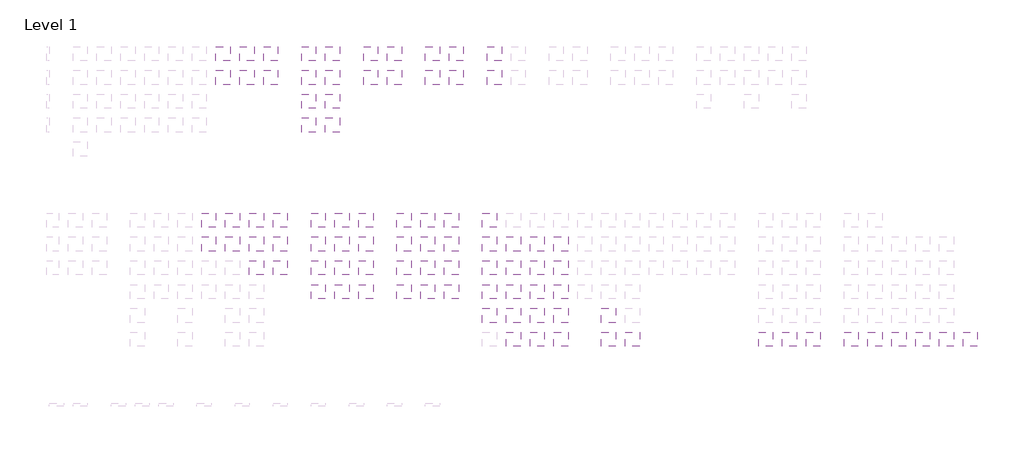
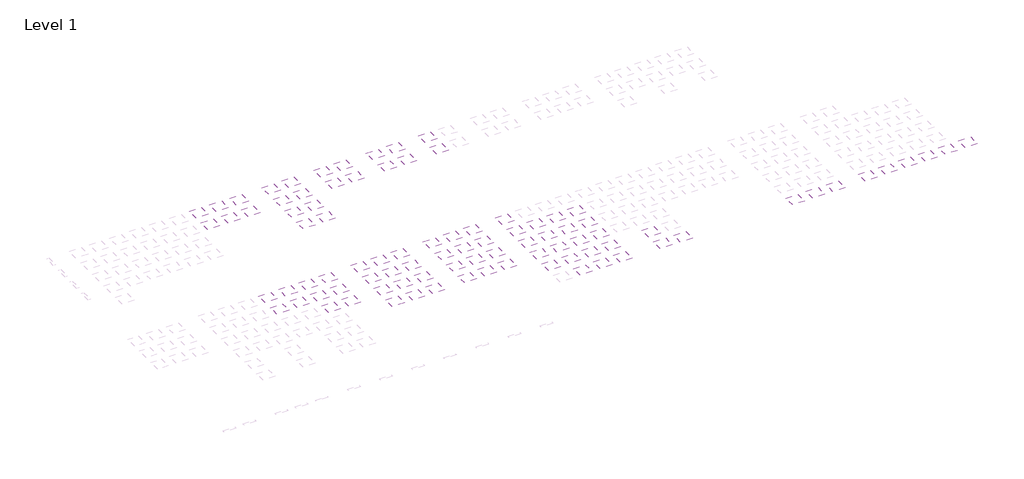
# One storey, part 4 of 90: 91 coverings.
"""IFC4 building model written with IfcOpenShell, lengths in millimetres."""

from ifc_helpers import new_model, si_unit, frame, origin, place, context, project, spatial, polyline, outline, extrude, element, save

model = new_model("IFC4")

# Units and contexts
model_context = context("Model", 3, world=origin())
ifc_project = project(units=[si_unit("LENGTHUNIT", "METRE", prefix="MILLI")], contexts=[model_context])

# Site, building, storey
site = spatial("IfcSite", under=ifc_project)
building = spatial("IfcBuilding", under=site)
storey = spatial("IfcBuildingStorey", under=building, Name="Level 1", Elevation=0.0)

# Coverings
placement = place(None, origin())
element("IfcCovering", 1, at=placement, inside=storey, context=model_context, shape_type="SweptSolid", body=[
    extrude(outline(polyline([(71921.3888175, -42496.7559295), (71921.3888175, -45496.7559295), (68921.3888175, -45496.7559295), (68921.3888175, -42496.7559295), (71921.3888175, -42496.7559295)])), frame((0.0, 0.0, 2600.0), z_axis=(0.0, 0.0, 1.0), x_axis=(1.0, 0.0, 0.0)), (0.0, 0.0, 1.0), 38.0),
])
element("IfcCovering", 2, at=placement, inside=storey, context=model_context, shape_type="SweptSolid", body=[
    extrude(outline(polyline([(71921.3888175, -47496.7559295), (71921.3888175, -50496.7559295), (68921.3888175, -50496.7559295), (68921.3888175, -47496.7559295), (71921.3888175, -47496.7559295)])), frame((0.0, 0.0, 2600.0), z_axis=(0.0, 0.0, 1.0), x_axis=(1.0, 0.0, 0.0)), (0.0, 0.0, 1.0), 38.0),
])
element("IfcCovering", 3, at=placement, inside=storey, context=model_context, shape_type="SweptSolid", body=[
    extrude(outline(polyline([(76921.3888175, -42496.7559295), (76921.3888175, -45496.7559295), (73921.3888175, -45496.7559295), (73921.3888175, -42496.7559295), (76921.3888175, -42496.7559295)])), frame((0.0, 0.0, 2600.0), z_axis=(0.0, 0.0, 1.0), x_axis=(1.0, 0.0, 0.0)), (0.0, 0.0, 1.0), 38.0),
])
element("IfcCovering", 4, at=placement, inside=storey, context=model_context, shape_type="SweptSolid", body=[
    extrude(outline(polyline([(76921.3888175, -47496.7559295), (76921.3888175, -50496.7559295), (73921.3888175, -50496.7559295), (73921.3888175, -47496.7559295), (76921.3888175, -47496.7559295)])), frame((0.0, 0.0, 2600.0), z_axis=(0.0, 0.0, 1.0), x_axis=(1.0, 0.0, 0.0)), (0.0, 0.0, 1.0), 38.0),
])
element("IfcCovering", 5, at=placement, inside=storey, context=model_context, shape_type="SweptSolid", body=[
    extrude(outline(polyline([(81921.3888175, -42496.7559295), (81921.3888175, -45496.7559295), (78921.3888175, -45496.7559295), (78921.3888175, -42496.7559295), (81921.3888175, -42496.7559295)])), frame((0.0, 0.0, 2600.0), z_axis=(0.0, 0.0, 1.0), x_axis=(1.0, 0.0, 0.0)), (0.0, 0.0, 1.0), 38.0),
])
element("IfcCovering", 6, at=placement, inside=storey, context=model_context, shape_type="SweptSolid", body=[
    extrude(outline(polyline([(81921.3888175, -47496.7559295), (81921.3888175, -50496.7559295), (78921.3888175, -50496.7559295), (78921.3888175, -47496.7559295), (81921.3888175, -47496.7559295)])), frame((0.0, 0.0, 2600.0), z_axis=(0.0, 0.0, 1.0), x_axis=(1.0, 0.0, 0.0)), (0.0, 0.0, 1.0), 38.0),
])
element("IfcCovering", 7, at=placement, inside=storey, context=model_context, shape_type="SweptSolid", body=[
    extrude(outline(polyline([(135921.3888175, -47496.7559295), (135921.3888175, -50496.7559295), (132921.3888175, -50496.7559295), (132921.3888175, -47496.7559295), (135921.3888175, -47496.7559295)])), frame((0.0, 0.0, 2600.0), z_axis=(0.0, 0.0, 1.0), x_axis=(1.0, 0.0, 0.0)), (0.0, 0.0, 1.0), 38.0),
])
element("IfcCovering", 8, at=placement, inside=storey, context=model_context, shape_type="SweptSolid", body=[
    extrude(outline(polyline([(135921.3888175, -52496.7559295), (135921.3888175, -55496.7559295), (132921.3888175, -55496.7559295), (132921.3888175, -52496.7559295), (135921.3888175, -52496.7559295)])), frame((0.0, 0.0, 2600.0), z_axis=(0.0, 0.0, 1.0), x_axis=(1.0, 0.0, 0.0)), (0.0, 0.0, 1.0), 38.0),
])
element("IfcCovering", 9, at=placement, inside=storey, context=model_context, shape_type="SweptSolid", body=[
    extrude(outline(polyline([(135921.3888175, -57496.7559295), (135921.3888175, -60496.7559295), (132921.3888175, -60496.7559295), (132921.3888175, -57496.7559295), (135921.3888175, -57496.7559295)])), frame((0.0, 0.0, 2600.0), z_axis=(0.0, 0.0, 1.0), x_axis=(1.0, 0.0, 0.0)), (0.0, 0.0, 1.0), 38.0),
])
element("IfcCovering", 10, at=placement, inside=storey, context=model_context, shape_type="SweptSolid", body=[
    extrude(outline(polyline([(135921.3888175, -62496.7559295), (135921.3888175, -65496.7559295), (132921.3888175, -65496.7559295), (132921.3888175, -62496.7559295), (135921.3888175, -62496.7559295)])), frame((0.0, 0.0, 2600.0), z_axis=(0.0, 0.0, 1.0), x_axis=(1.0, 0.0, 0.0)), (0.0, 0.0, 1.0), 38.0),
])
element("IfcCovering", 11, at=placement, inside=storey, context=model_context, shape_type="SweptSolid", body=[
    extrude(outline(polyline([(135921.3888175, -67496.7559295), (135921.3888175, -70496.7559295), (132921.3888175, -70496.7559295), (132921.3888175, -67496.7559295), (135921.3888175, -67496.7559295)])), frame((0.0, 0.0, 2600.0), z_axis=(0.0, 0.0, 1.0), x_axis=(1.0, 0.0, 0.0)), (0.0, 0.0, 1.0), 38.0),
])
element("IfcCovering", 12, at=placement, inside=storey, context=model_context, shape_type="SweptSolid", body=[
    extrude(outline(polyline([(150921.3888175, -62496.7559295), (150921.3888175, -65496.7559295), (147921.3888175, -65496.7559295), (147921.3888175, -62496.7559295), (150921.3888175, -62496.7559295)])), frame((0.0, 0.0, 2600.0), z_axis=(0.0, 0.0, 1.0), x_axis=(1.0, 0.0, 0.0)), (0.0, 0.0, 1.0), 38.0),
])
element("IfcCovering", 13, at=placement, inside=storey, context=model_context, shape_type="SweptSolid", body=[
    extrude(outline(polyline([(150921.3888175, -67496.7559295), (150921.3888175, -70496.7559295), (147921.3888175, -70496.7559295), (147921.3888175, -67496.7559295), (150921.3888175, -67496.7559295)])), frame((0.0, 0.0, 2600.0), z_axis=(0.0, 0.0, 1.0), x_axis=(1.0, 0.0, 0.0)), (0.0, 0.0, 1.0), 38.0),
])
element("IfcCovering", 14, at=placement, inside=storey, context=model_context, shape_type="SweptSolid", body=[
    extrude(outline(polyline([(155921.3888175, -67496.7559295), (155921.3888175, -70496.7559295), (152921.3888175, -70496.7559295), (152921.3888175, -67496.7559295), (155921.3888175, -67496.7559295)])), frame((0.0, 0.0, 2600.0), z_axis=(0.0, 0.0, 1.0), x_axis=(1.0, 0.0, 0.0)), (0.0, 0.0, 1.0), 38.0),
])
element("IfcCovering", 15, at=placement, inside=storey, context=model_context, shape_type="SweptSolid", body=[
    extrude(outline(polyline([(76921.3888175, -52496.7559295), (76921.3888175, -55496.7559295), (73921.3888175, -55496.7559295), (73921.3888175, -52496.7559295), (76921.3888175, -52496.7559295)])), frame((0.0, 0.0, 2600.0), z_axis=(0.0, 0.0, 1.0), x_axis=(1.0, 0.0, 0.0)), (0.0, 0.0, 1.0), 38.0),
])
element("IfcCovering", 16, at=placement, inside=storey, context=model_context, shape_type="SweptSolid", body=[
    extrude(outline(polyline([(81921.3888175, -52496.7559295), (81921.3888175, -55496.7559295), (78921.3888175, -55496.7559295), (78921.3888175, -52496.7559295), (81921.3888175, -52496.7559295)])), frame((0.0, 0.0, 2600.0), z_axis=(0.0, 0.0, 1.0), x_axis=(1.0, 0.0, 0.0)), (0.0, 0.0, 1.0), 38.0),
])
element("IfcCovering", 17, at=placement, inside=storey, context=model_context, shape_type="SweptSolid", body=[
    extrude(outline(polyline([(66921.3888175, -42496.7559295), (66921.3888175, -45496.7559295), (63921.3888175, -45496.7559295), (63921.3888175, -42496.7559295), (66921.3888175, -42496.7559295)])), frame((0.0, 0.0, 2600.0), z_axis=(0.0, 0.0, 1.0), x_axis=(1.0, 0.0, 0.0)), (0.0, 0.0, 1.0), 38.0),
])
element("IfcCovering", 18, at=placement, inside=storey, context=model_context, shape_type="SweptSolid", body=[
    extrude(outline(polyline([(66921.3888175, -47496.7559295), (66921.3888175, -50496.7559295), (63921.3888175, -50496.7559295), (63921.3888175, -47496.7559295), (66921.3888175, -47496.7559295)])), frame((0.0, 0.0, 2600.0), z_axis=(0.0, 0.0, 1.0), x_axis=(1.0, 0.0, 0.0)), (0.0, 0.0, 1.0), 38.0),
])
element("IfcCovering", 19, at=placement, inside=storey, context=model_context, shape_type="SweptSolid", body=[
    extrude(outline(polyline([(140921.3888175, -52496.7559295), (140921.3888175, -55496.7559295), (137921.3888175, -55496.7559295), (137921.3888175, -52496.7559295), (140921.3888175, -52496.7559295)])), frame((0.0, 0.0, 2600.0), z_axis=(0.0, 0.0, 1.0), x_axis=(1.0, 0.0, 0.0)), (0.0, 0.0, 1.0), 38.0),
])
element("IfcCovering", 20, at=placement, inside=storey, context=model_context, shape_type="SweptSolid", body=[
    extrude(outline(polyline([(140921.3888175, -57496.7559295), (140921.3888175, -60496.7559295), (137921.3888175, -60496.7559295), (137921.3888175, -57496.7559295), (140921.3888175, -57496.7559295)])), frame((0.0, 0.0, 2600.0), z_axis=(0.0, 0.0, 1.0), x_axis=(1.0, 0.0, 0.0)), (0.0, 0.0, 1.0), 38.0),
])
element("IfcCovering", 21, at=placement, inside=storey, context=model_context, shape_type="SweptSolid", body=[
    extrude(outline(polyline([(140921.3888175, -67496.7559295), (140921.3888175, -70496.7559295), (137921.3888175, -70496.7559295), (137921.3888175, -67496.7559295), (140921.3888175, -67496.7559295)])), frame((0.0, 0.0, 2600.0), z_axis=(0.0, 0.0, 1.0), x_axis=(1.0, 0.0, 0.0)), (0.0, 0.0, 1.0), 38.0),
])
element("IfcCovering", 22, at=placement, inside=storey, context=model_context, shape_type="SweptSolid", body=[
    extrude(outline(polyline([(130921.3888175, -47496.7559295), (130921.3888175, -50496.7559295), (127921.3888175, -50496.7559295), (127921.3888175, -47496.7559295), (130921.3888175, -47496.7559295)])), frame((0.0, 0.0, 2600.0), z_axis=(0.0, 0.0, 1.0), x_axis=(1.0, 0.0, 0.0)), (0.0, 0.0, 1.0), 38.0),
])
element("IfcCovering", 23, at=placement, inside=storey, context=model_context, shape_type="SweptSolid", body=[
    extrude(outline(polyline([(130921.3888175, -52496.7559295), (130921.3888175, -55496.7559295), (127921.3888175, -55496.7559295), (127921.3888175, -52496.7559295), (130921.3888175, -52496.7559295)])), frame((0.0, 0.0, 2600.0), z_axis=(0.0, 0.0, 1.0), x_axis=(1.0, 0.0, 0.0)), (0.0, 0.0, 1.0), 38.0),
])
element("IfcCovering", 24, at=placement, inside=storey, context=model_context, shape_type="SweptSolid", body=[
    extrude(outline(polyline([(130921.3888175, -57496.7559295), (130921.3888175, -60496.7559295), (127921.3888175, -60496.7559295), (127921.3888175, -57496.7559295), (130921.3888175, -57496.7559295)])), frame((0.0, 0.0, 2600.0), z_axis=(0.0, 0.0, 1.0), x_axis=(1.0, 0.0, 0.0)), (0.0, 0.0, 1.0), 38.0),
])
element("IfcCovering", 25, at=placement, inside=storey, context=model_context, shape_type="SweptSolid", body=[
    extrude(outline(polyline([(69921.3888175, -7496.7559295), (69921.3888175, -10496.7559295), (66921.3888175, -10496.7559295), (66921.3888175, -7496.7559295), (69921.3888175, -7496.7559295)])), frame((0.0, 0.0, 2600.0), z_axis=(0.0, 0.0, 1.0), x_axis=(1.0, 0.0, 0.0)), (0.0, 0.0, 1.0), 38.0),
])
element("IfcCovering", 26, at=placement, inside=storey, context=model_context, shape_type="SweptSolid", body=[
    extrude(outline(polyline([(69921.3888175, -12496.7559295), (69921.3888175, -15496.7559295), (66921.3888175, -15496.7559295), (66921.3888175, -12496.7559295), (69921.3888175, -12496.7559295)])), frame((0.0, 0.0, 2600.0), z_axis=(0.0, 0.0, 1.0), x_axis=(1.0, 0.0, 0.0)), (0.0, 0.0, 1.0), 38.0),
])
element("IfcCovering", 27, at=placement, inside=storey, context=model_context, shape_type="SweptSolid", body=[
    extrude(outline(polyline([(74921.3888175, -7496.7559295), (74921.3888175, -10496.7559295), (71921.3888175, -10496.7559295), (71921.3888175, -7496.7559295), (74921.3888175, -7496.7559295)])), frame((0.0, 0.0, 2600.0), z_axis=(0.0, 0.0, 1.0), x_axis=(1.0, 0.0, 0.0)), (0.0, 0.0, 1.0), 43.0),
])
element("IfcCovering", 28, at=placement, inside=storey, context=model_context, shape_type="SweptSolid", body=[
    extrude(outline(polyline([(74921.3888175, -12496.7559295), (74921.3888175, -15496.7559295), (71921.3888175, -15496.7559295), (71921.3888175, -12496.7559295), (74921.3888175, -12496.7559295)])), frame((0.0, 0.0, 2600.0), z_axis=(0.0, 0.0, 1.0), x_axis=(1.0, 0.0, 0.0)), (0.0, 0.0, 1.0), 43.0),
])
element("IfcCovering", 29, at=placement, inside=storey, context=model_context, shape_type="SweptSolid", body=[
    extrude(outline(polyline([(79921.3888175, -7496.7559295), (79921.3888175, -10496.7559295), (76921.3888175, -10496.7559295), (76921.3888175, -7496.7559295), (79921.3888175, -7496.7559295)])), frame((0.0, 0.0, 2600.0), z_axis=(0.0, 0.0, 1.0), x_axis=(1.0, 0.0, 0.0)), (0.0, 0.0, 1.0), 43.0),
])
element("IfcCovering", 30, at=placement, inside=storey, context=model_context, shape_type="SweptSolid", body=[
    extrude(outline(polyline([(79921.3888175, -12496.7559295), (79921.3888175, -15496.7559295), (76921.3888175, -15496.7559295), (76921.3888175, -12496.7559295), (79921.3888175, -12496.7559295)])), frame((0.0, 0.0, 2600.0), z_axis=(0.0, 0.0, 1.0), x_axis=(1.0, 0.0, 0.0)), (0.0, 0.0, 1.0), 43.0),
])
element("IfcCovering", 31, at=placement, inside=storey, context=model_context, shape_type="SweptSolid", body=[
    extrude(outline(polyline([(87921.3888175, -7496.7559295), (87921.3888175, -10496.7559295), (84921.3888175, -10496.7559295), (84921.3888175, -7496.7559295), (87921.3888175, -7496.7559295)])), frame((0.0, 0.0, 2600.0), z_axis=(0.0, 0.0, 1.0), x_axis=(1.0, 0.0, 0.0)), (0.0, 0.0, 1.0), 38.0),
])
element("IfcCovering", 32, at=placement, inside=storey, context=model_context, shape_type="SweptSolid", body=[
    extrude(outline(polyline([(87921.3888175, -12496.7559295), (87921.3888175, -15496.7559295), (84921.3888175, -15496.7559295), (84921.3888175, -12496.7559295), (87921.3888175, -12496.7559295)])), frame((0.0, 0.0, 2600.0), z_axis=(0.0, 0.0, 1.0), x_axis=(1.0, 0.0, 0.0)), (0.0, 0.0, 1.0), 38.0),
])
element("IfcCovering", 33, at=placement, inside=storey, context=model_context, shape_type="SweptSolid", body=[
    extrude(outline(polyline([(87921.3888175, -17496.7559295), (87921.3888175, -20496.7559295), (84921.3888175, -20496.7559295), (84921.3888175, -17496.7559295), (87921.3888175, -17496.7559295)])), frame((0.0, 0.0, 2600.0), z_axis=(0.0, 0.0, 1.0), x_axis=(1.0, 0.0, 0.0)), (0.0, 0.0, 1.0), 38.0),
])
element("IfcCovering", 34, at=placement, inside=storey, context=model_context, shape_type="SweptSolid", body=[
    extrude(outline(polyline([(87921.3888175, -22496.7559295), (87921.3888175, -25496.7559295), (84921.3888175, -25496.7559295), (84921.3888175, -22496.7559295), (87921.3888175, -22496.7559295)])), frame((0.0, 0.0, 2600.0), z_axis=(0.0, 0.0, 1.0), x_axis=(1.0, 0.0, 0.0)), (0.0, 0.0, 1.0), 38.0),
])
element("IfcCovering", 35, at=placement, inside=storey, context=model_context, shape_type="SweptSolid", body=[
    extrude(outline(polyline([(92921.3888175, -7496.7559295), (92921.3888175, -10496.7559295), (89921.3888175, -10496.7559295), (89921.3888175, -7496.7559295), (92921.3888175, -7496.7559295)])), frame((0.0, 0.0, 2600.0), z_axis=(0.0, 0.0, 1.0), x_axis=(1.0, 0.0, 0.0)), (0.0, 0.0, 1.0), 38.0),
])
element("IfcCovering", 36, at=placement, inside=storey, context=model_context, shape_type="SweptSolid", body=[
    extrude(outline(polyline([(92921.3888175, -12496.7559295), (92921.3888175, -15496.7559295), (89921.3888175, -15496.7559295), (89921.3888175, -12496.7559295), (92921.3888175, -12496.7559295)])), frame((0.0, 0.0, 2600.0), z_axis=(0.0, 0.0, 1.0), x_axis=(1.0, 0.0, 0.0)), (0.0, 0.0, 1.0), 38.0),
])
element("IfcCovering", 37, at=placement, inside=storey, context=model_context, shape_type="SweptSolid", body=[
    extrude(outline(polyline([(92921.3888175, -17496.7559295), (92921.3888175, -20496.7559295), (89921.3888175, -20496.7559295), (89921.3888175, -17496.7559295), (92921.3888175, -17496.7559295)])), frame((0.0, 0.0, 2600.0), z_axis=(0.0, 0.0, 1.0), x_axis=(1.0, 0.0, 0.0)), (0.0, 0.0, 1.0), 38.0),
])
element("IfcCovering", 38, at=placement, inside=storey, context=model_context, shape_type="SweptSolid", body=[
    extrude(outline(polyline([(92921.3888175, -22496.7559295), (92921.3888175, -25496.7559295), (89921.3888175, -25496.7559295), (89921.3888175, -22496.7559295), (92921.3888175, -22496.7559295)])), frame((0.0, 0.0, 2600.0), z_axis=(0.0, 0.0, 1.0), x_axis=(1.0, 0.0, 0.0)), (0.0, 0.0, 1.0), 38.0),
])
element("IfcCovering", 39, at=placement, inside=storey, context=model_context, shape_type="SweptSolid", body=[
    extrude(outline(polyline([(89921.3888175, -42496.7559295), (89921.3888175, -45496.7559295), (86921.3888175, -45496.7559295), (86921.3888175, -42496.7559295), (89921.3888175, -42496.7559295)])), frame((0.0, 0.0, 2600.0), z_axis=(0.0, 0.0, 1.0), x_axis=(1.0, 0.0, 0.0)), (0.0, 0.0, 1.0), 38.0),
])
element("IfcCovering", 40, at=placement, inside=storey, context=model_context, shape_type="SweptSolid", body=[
    extrude(outline(polyline([(89921.3888175, -47496.7559295), (89921.3888175, -50496.7559295), (86921.3888175, -50496.7559295), (86921.3888175, -47496.7559295), (89921.3888175, -47496.7559295)])), frame((0.0, 0.0, 2600.0), z_axis=(0.0, 0.0, 1.0), x_axis=(1.0, 0.0, 0.0)), (0.0, 0.0, 1.0), 38.0),
])
element("IfcCovering", 41, at=placement, inside=storey, context=model_context, shape_type="SweptSolid", body=[
    extrude(outline(polyline([(89921.3888175, -52496.7559295), (89921.3888175, -55496.7559295), (86921.3888175, -55496.7559295), (86921.3888175, -52496.7559295), (89921.3888175, -52496.7559295)])), frame((0.0, 0.0, 2600.0), z_axis=(0.0, 0.0, 1.0), x_axis=(1.0, 0.0, 0.0)), (0.0, 0.0, 1.0), 38.0),
])
element("IfcCovering", 42, at=placement, inside=storey, context=model_context, shape_type="SweptSolid", body=[
    extrude(outline(polyline([(89921.3888175, -57496.7559295), (89921.3888175, -60496.7559295), (86921.3888175, -60496.7559295), (86921.3888175, -57496.7559295), (89921.3888175, -57496.7559295)])), frame((0.0, 0.0, 2600.0), z_axis=(0.0, 0.0, 1.0), x_axis=(1.0, 0.0, 0.0)), (0.0, 0.0, 1.0), 38.0),
])
element("IfcCovering", 43, at=placement, inside=storey, context=model_context, shape_type="SweptSolid", body=[
    extrude(outline(polyline([(94921.3888175, -42496.7559295), (94921.3888175, -45496.7559295), (91921.3888175, -45496.7559295), (91921.3888175, -42496.7559295), (94921.3888175, -42496.7559295)])), frame((0.0, 0.0, 2600.0), z_axis=(0.0, 0.0, 1.0), x_axis=(1.0, 0.0, 0.0)), (0.0, 0.0, 1.0), 38.0),
])
element("IfcCovering", 44, at=placement, inside=storey, context=model_context, shape_type="SweptSolid", body=[
    extrude(outline(polyline([(94921.3888175, -47496.7559295), (94921.3888175, -50496.7559295), (91921.3888175, -50496.7559295), (91921.3888175, -47496.7559295), (94921.3888175, -47496.7559295)])), frame((0.0, 0.0, 2600.0), z_axis=(0.0, 0.0, 1.0), x_axis=(1.0, 0.0, 0.0)), (0.0, 0.0, 1.0), 38.0),
])
element("IfcCovering", 45, at=placement, inside=storey, context=model_context, shape_type="SweptSolid", body=[
    extrude(outline(polyline([(94921.3888175, -52496.7559295), (94921.3888175, -55496.7559295), (91921.3888175, -55496.7559295), (91921.3888175, -52496.7559295), (94921.3888175, -52496.7559295)])), frame((0.0, 0.0, 2600.0), z_axis=(0.0, 0.0, 1.0), x_axis=(1.0, 0.0, 0.0)), (0.0, 0.0, 1.0), 38.0),
])
element("IfcCovering", 46, at=placement, inside=storey, context=model_context, shape_type="SweptSolid", body=[
    extrude(outline(polyline([(94921.3888175, -57496.7559295), (94921.3888175, -60496.7559295), (91921.3888175, -60496.7559295), (91921.3888175, -57496.7559295), (94921.3888175, -57496.7559295)])), frame((0.0, 0.0, 2600.0), z_axis=(0.0, 0.0, 1.0), x_axis=(1.0, 0.0, 0.0)), (0.0, 0.0, 1.0), 38.0),
])
element("IfcCovering", 47, at=placement, inside=storey, context=model_context, shape_type="SweptSolid", body=[
    extrude(outline(polyline([(99921.3888175, -42496.7559295), (99921.3888175, -45496.7559295), (96921.3888175, -45496.7559295), (96921.3888175, -42496.7559295), (99921.3888175, -42496.7559295)])), frame((0.0, 0.0, 2600.0), z_axis=(0.0, 0.0, 1.0), x_axis=(1.0, 0.0, 0.0)), (0.0, 0.0, 1.0), 38.0),
])
element("IfcCovering", 48, at=placement, inside=storey, context=model_context, shape_type="SweptSolid", body=[
    extrude(outline(polyline([(99921.3888175, -47496.7559295), (99921.3888175, -50496.7559295), (96921.3888175, -50496.7559295), (96921.3888175, -47496.7559295), (99921.3888175, -47496.7559295)])), frame((0.0, 0.0, 2600.0), z_axis=(0.0, 0.0, 1.0), x_axis=(1.0, 0.0, 0.0)), (0.0, 0.0, 1.0), 38.0),
])
element("IfcCovering", 49, at=placement, inside=storey, context=model_context, shape_type="SweptSolid", body=[
    extrude(outline(polyline([(99921.3888175, -52496.7559295), (99921.3888175, -55496.7559295), (96921.3888175, -55496.7559295), (96921.3888175, -52496.7559295), (99921.3888175, -52496.7559295)])), frame((0.0, 0.0, 2600.0), z_axis=(0.0, 0.0, 1.0), x_axis=(1.0, 0.0, 0.0)), (0.0, 0.0, 1.0), 38.0),
])
element("IfcCovering", 50, at=placement, inside=storey, context=model_context, shape_type="SweptSolid", body=[
    extrude(outline(polyline([(99921.3888175, -57496.7559295), (99921.3888175, -60496.7559295), (96921.3888175, -60496.7559295), (96921.3888175, -57496.7559295), (99921.3888175, -57496.7559295)])), frame((0.0, 0.0, 2600.0), z_axis=(0.0, 0.0, 1.0), x_axis=(1.0, 0.0, 0.0)), (0.0, 0.0, 1.0), 38.0),
])
element("IfcCovering", 51, at=placement, inside=storey, context=model_context, shape_type="SweptSolid", body=[
    extrude(outline(polyline([(100921.3888175, -7496.7559295), (100921.3888175, -10496.7559295), (97921.3888175, -10496.7559295), (97921.3888175, -7496.7559295), (100921.3888175, -7496.7559295)])), frame((0.0, 0.0, 2600.0), z_axis=(0.0, 0.0, 1.0), x_axis=(1.0, 0.0, 0.0)), (0.0, 0.0, 1.0), 38.0),
])
element("IfcCovering", 52, at=placement, inside=storey, context=model_context, shape_type="SweptSolid", body=[
    extrude(outline(polyline([(100921.3888175, -12496.7559295), (100921.3888175, -15496.7559295), (97921.3888175, -15496.7559295), (97921.3888175, -12496.7559295), (100921.3888175, -12496.7559295)])), frame((0.0, 0.0, 2600.0), z_axis=(0.0, 0.0, 1.0), x_axis=(1.0, 0.0, 0.0)), (0.0, 0.0, 1.0), 38.0),
])
element("IfcCovering", 53, at=placement, inside=storey, context=model_context, shape_type="SweptSolid", body=[
    extrude(outline(polyline([(105921.3888175, -7496.7559295), (105921.3888175, -10496.7559295), (102921.3888175, -10496.7559295), (102921.3888175, -7496.7559295), (105921.3888175, -7496.7559295)])), frame((0.0, 0.0, 2600.0), z_axis=(0.0, 0.0, 1.0), x_axis=(1.0, 0.0, 0.0)), (0.0, 0.0, 1.0), 38.0),
])
element("IfcCovering", 54, at=placement, inside=storey, context=model_context, shape_type="SweptSolid", body=[
    extrude(outline(polyline([(105921.3888175, -12496.7559295), (105921.3888175, -15496.7559295), (102921.3888175, -15496.7559295), (102921.3888175, -12496.7559295), (105921.3888175, -12496.7559295)])), frame((0.0, 0.0, 2600.0), z_axis=(0.0, 0.0, 1.0), x_axis=(1.0, 0.0, 0.0)), (0.0, 0.0, 1.0), 38.0),
])
element("IfcCovering", 55, at=placement, inside=storey, context=model_context, shape_type="SweptSolid", body=[
    extrude(outline(polyline([(113921.3888175, -7496.7559295), (113921.3888175, -10496.7559295), (110921.3888175, -10496.7559295), (110921.3888175, -7496.7559295), (113921.3888175, -7496.7559295)])), frame((0.0, 0.0, 2600.0), z_axis=(0.0, 0.0, 1.0), x_axis=(1.0, 0.0, 0.0)), (0.0, 0.0, 1.0), 38.0),
])
element("IfcCovering", 56, at=placement, inside=storey, context=model_context, shape_type="SweptSolid", body=[
    extrude(outline(polyline([(113921.3888175, -12496.7559295), (113921.3888175, -15496.7559295), (110921.3888175, -15496.7559295), (110921.3888175, -12496.7559295), (113921.3888175, -12496.7559295)])), frame((0.0, 0.0, 2600.0), z_axis=(0.0, 0.0, 1.0), x_axis=(1.0, 0.0, 0.0)), (0.0, 0.0, 1.0), 38.0),
])
element("IfcCovering", 57, at=placement, inside=storey, context=model_context, shape_type="SweptSolid", body=[
    extrude(outline(polyline([(118921.3888175, -7496.7559295), (118921.3888175, -10496.7559295), (115921.3888175, -10496.7559295), (115921.3888175, -7496.7559295), (118921.3888175, -7496.7559295)])), frame((0.0, 0.0, 2600.0), z_axis=(0.0, 0.0, 1.0), x_axis=(1.0, 0.0, 0.0)), (0.0, 0.0, 1.0), 38.0),
])
element("IfcCovering", 58, at=placement, inside=storey, context=model_context, shape_type="SweptSolid", body=[
    extrude(outline(polyline([(118921.3888175, -12496.7559295), (118921.3888175, -15496.7559295), (115921.3888175, -15496.7559295), (115921.3888175, -12496.7559295), (118921.3888175, -12496.7559295)])), frame((0.0, 0.0, 2600.0), z_axis=(0.0, 0.0, 1.0), x_axis=(1.0, 0.0, 0.0)), (0.0, 0.0, 1.0), 38.0),
])
element("IfcCovering", 59, at=placement, inside=storey, context=model_context, shape_type="SweptSolid", body=[
    extrude(outline(polyline([(126921.3888175, -7496.7559295), (126921.3888175, -10496.7559295), (123921.3888175, -10496.7559295), (123921.3888175, -7496.7559295), (126921.3888175, -7496.7559295)])), frame((0.0, 0.0, 2600.0), z_axis=(0.0, 0.0, 1.0), x_axis=(1.0, 0.0, 0.0)), (0.0, 0.0, 1.0), 38.0),
])
element("IfcCovering", 60, at=placement, inside=storey, context=model_context, shape_type="SweptSolid", body=[
    extrude(outline(polyline([(126921.3888175, -12496.7559295), (126921.3888175, -15496.7559295), (123921.3888175, -15496.7559295), (123921.3888175, -12496.7559295), (126921.3888175, -12496.7559295)])), frame((0.0, 0.0, 2600.0), z_axis=(0.0, 0.0, 1.0), x_axis=(1.0, 0.0, 0.0)), (0.0, 0.0, 1.0), 38.0),
])
element("IfcCovering", 61, at=placement, inside=storey, context=model_context, shape_type="SweptSolid", body=[
    extrude(outline(polyline([(211921.3888175, -67496.7559295), (211921.3888175, -70496.7559295), (208921.3888175, -70496.7559295), (208921.3888175, -67496.7559295), (211921.3888175, -67496.7559295)])), frame((0.0, 0.0, 2600.0), z_axis=(0.0, 0.0, 1.0), x_axis=(1.0, 0.0, 0.0)), (0.0, 0.0, 1.0), 38.0),
])
element("IfcCovering", 62, at=placement, inside=storey, context=model_context, shape_type="SweptSolid", body=[
    extrude(outline(polyline([(211921.3888175, -67496.7559295), (211921.3888175, -70496.7559295), (208921.3888175, -70496.7559295), (208921.3888175, -67496.7559295), (211921.3888175, -67496.7559295)])), frame((0.0, 0.0, 2600.0), z_axis=(0.0, 0.0, 1.0), x_axis=(1.0, 0.0, 0.0)), (0.0, 0.0, 1.0), 38.0),
])
element("IfcCovering", 63, at=placement, inside=storey, context=model_context, shape_type="SweptSolid", body=[
    extrude(outline(polyline([(226921.3888175, -67496.7559295), (226921.3888175, -70496.7559295), (223921.3888175, -70496.7559295), (223921.3888175, -67496.7559295), (226921.3888175, -67496.7559295)])), frame((0.0, 0.0, 2600.0), z_axis=(0.0, 0.0, 1.0), x_axis=(1.0, 0.0, 0.0)), (0.0, 0.0, 1.0), 38.0),
])
element("IfcCovering", 64, at=placement, inside=storey, context=model_context, shape_type="SweptSolid", body=[
    extrude(outline(polyline([(206921.3888175, -67496.7559295), (206921.3888175, -70496.7559295), (203921.3888175, -70496.7559295), (203921.3888175, -67496.7559295), (206921.3888175, -67496.7559295)])), frame((0.0, 0.0, 2600.0), z_axis=(0.0, 0.0, 1.0), x_axis=(1.0, 0.0, 0.0)), (0.0, 0.0, 1.0), 38.0),
])
element("IfcCovering", 65, at=placement, inside=storey, context=model_context, shape_type="SweptSolid", body=[
    extrude(outline(polyline([(216921.3888175, -67496.7559295), (216921.3888175, -70496.7559295), (213921.3888175, -70496.7559295), (213921.3888175, -67496.7559295), (216921.3888175, -67496.7559295)])), frame((0.0, 0.0, 2600.0), z_axis=(0.0, 0.0, 1.0), x_axis=(1.0, 0.0, 0.0)), (0.0, 0.0, 1.0), 38.0),
])
element("IfcCovering", 66, at=placement, inside=storey, context=model_context, shape_type="SweptSolid", body=[
    extrude(outline(polyline([(221921.3888175, -67496.7559295), (221921.3888175, -70496.7559295), (218921.3888175, -70496.7559295), (218921.3888175, -67496.7559295), (221921.3888175, -67496.7559295)])), frame((0.0, 0.0, 2600.0), z_axis=(0.0, 0.0, 1.0), x_axis=(1.0, 0.0, 0.0)), (0.0, 0.0, 1.0), 38.0),
])
element("IfcCovering", 67, at=placement, inside=storey, context=model_context, shape_type="SweptSolid", body=[
    extrude(outline(polyline([(125921.3888175, -42496.7559295), (125921.3888175, -45496.7559295), (122921.3888175, -45496.7559295), (122921.3888175, -42496.7559295), (125921.3888175, -42496.7559295)])), frame((0.0, 0.0, 2600.0), z_axis=(0.0, 0.0, 1.0), x_axis=(1.0, 0.0, 0.0)), (0.0, 0.0, 1.0), 38.0),
])
element("IfcCovering", 68, at=placement, inside=storey, context=model_context, shape_type="SweptSolid", body=[
    extrude(outline(polyline([(125921.3888175, -47496.7559295), (125921.3888175, -50496.7559295), (122921.3888175, -50496.7559295), (122921.3888175, -47496.7559295), (125921.3888175, -47496.7559295)])), frame((0.0, 0.0, 2600.0), z_axis=(0.0, 0.0, 1.0), x_axis=(1.0, 0.0, 0.0)), (0.0, 0.0, 1.0), 38.0),
])
element("IfcCovering", 69, at=placement, inside=storey, context=model_context, shape_type="SweptSolid", body=[
    extrude(outline(polyline([(125921.3888175, -52496.7559295), (125921.3888175, -55496.7559295), (122921.3888175, -55496.7559295), (122921.3888175, -52496.7559295), (125921.3888175, -52496.7559295)])), frame((0.0, 0.0, 2600.0), z_axis=(0.0, 0.0, 1.0), x_axis=(1.0, 0.0, 0.0)), (0.0, 0.0, 1.0), 38.0),
])
element("IfcCovering", 70, at=placement, inside=storey, context=model_context, shape_type="SweptSolid", body=[
    extrude(outline(polyline([(125921.3888175, -57496.7559295), (125921.3888175, -60496.7559295), (122921.3888175, -60496.7559295), (122921.3888175, -57496.7559295), (125921.3888175, -57496.7559295)])), frame((0.0, 0.0, 2600.0), z_axis=(0.0, 0.0, 1.0), x_axis=(1.0, 0.0, 0.0)), (0.0, 0.0, 1.0), 38.0),
])
element("IfcCovering", 71, at=placement, inside=storey, context=model_context, shape_type="SweptSolid", body=[
    extrude(outline(polyline([(125921.3888175, -62496.7559295), (125921.3888175, -65496.7559295), (122921.3888175, -65496.7559295), (122921.3888175, -62496.7559295), (125921.3888175, -62496.7559295)])), frame((0.0, 0.0, 2600.0), z_axis=(0.0, 0.0, 1.0), x_axis=(1.0, 0.0, 0.0)), (0.0, 0.0, 1.0), 38.0),
])
element("IfcCovering", 72, at=placement, inside=storey, context=model_context, shape_type="SweptSolid", body=[
    extrude(outline(polyline([(130921.3888175, -62496.7559295), (130921.3888175, -65496.7559295), (127921.3888175, -65496.7559295), (127921.3888175, -62496.7559295), (130921.3888175, -62496.7559295)])), frame((0.0, 0.0, 2600.0), z_axis=(0.0, 0.0, 1.0), x_axis=(1.0, 0.0, 0.0)), (0.0, 0.0, 1.0), 38.0),
])
element("IfcCovering", 73, at=placement, inside=storey, context=model_context, shape_type="SweptSolid", body=[
    extrude(outline(polyline([(130921.3888175, -67496.7559295), (130921.3888175, -70496.7559295), (127921.3888175, -70496.7559295), (127921.3888175, -67496.7559295), (130921.3888175, -67496.7559295)])), frame((0.0, 0.0, 2600.0), z_axis=(0.0, 0.0, 1.0), x_axis=(1.0, 0.0, 0.0)), (0.0, 0.0, 1.0), 38.0),
])
element("IfcCovering", 74, at=placement, inside=storey, context=model_context, shape_type="SweptSolid", body=[
    extrude(outline(polyline([(140921.3888175, -47496.7559295), (140921.3888175, -50496.7559295), (137921.3888175, -50496.7559295), (137921.3888175, -47496.7559295), (140921.3888175, -47496.7559295)])), frame((0.0, 0.0, 2600.0), z_axis=(0.0, 0.0, 1.0), x_axis=(1.0, 0.0, 0.0)), (0.0, 0.0, 1.0), 38.0),
])
element("IfcCovering", 75, at=placement, inside=storey, context=model_context, shape_type="SweptSolid", body=[
    extrude(outline(polyline([(140921.3888175, -62496.7559295), (140921.3888175, -65496.7559295), (137921.3888175, -65496.7559295), (137921.3888175, -62496.7559295), (140921.3888175, -62496.7559295)])), frame((0.0, 0.0, 2600.0), z_axis=(0.0, 0.0, 1.0), x_axis=(1.0, 0.0, 0.0)), (0.0, 0.0, 1.0), 38.0),
])
element("IfcCovering", 76, at=placement, inside=storey, context=model_context, shape_type="SweptSolid", body=[
    extrude(outline(polyline([(107921.3888175, -42496.7559295), (107921.3888175, -45496.7559295), (104921.3888175, -45496.7559295), (104921.3888175, -42496.7559295), (107921.3888175, -42496.7559295)])), frame((0.0, 0.0, 2600.0), z_axis=(0.0, 0.0, 1.0), x_axis=(1.0, 0.0, 0.0)), (0.0, 0.0, 1.0), 38.0),
])
element("IfcCovering", 77, at=placement, inside=storey, context=model_context, shape_type="SweptSolid", body=[
    extrude(outline(polyline([(107921.3888175, -47496.7559295), (107921.3888175, -50496.7559295), (104921.3888175, -50496.7559295), (104921.3888175, -47496.7559295), (107921.3888175, -47496.7559295)])), frame((0.0, 0.0, 2600.0), z_axis=(0.0, 0.0, 1.0), x_axis=(1.0, 0.0, 0.0)), (0.0, 0.0, 1.0), 38.0),
])
element("IfcCovering", 78, at=placement, inside=storey, context=model_context, shape_type="SweptSolid", body=[
    extrude(outline(polyline([(107921.3888175, -52496.7559295), (107921.3888175, -55496.7559295), (104921.3888175, -55496.7559295), (104921.3888175, -52496.7559295), (107921.3888175, -52496.7559295)])), frame((0.0, 0.0, 2600.0), z_axis=(0.0, 0.0, 1.0), x_axis=(1.0, 0.0, 0.0)), (0.0, 0.0, 1.0), 38.0),
])
element("IfcCovering", 79, at=placement, inside=storey, context=model_context, shape_type="SweptSolid", body=[
    extrude(outline(polyline([(107921.3888175, -57496.7559295), (107921.3888175, -60496.7559295), (104921.3888175, -60496.7559295), (104921.3888175, -57496.7559295), (107921.3888175, -57496.7559295)])), frame((0.0, 0.0, 2600.0), z_axis=(0.0, 0.0, 1.0), x_axis=(1.0, 0.0, 0.0)), (0.0, 0.0, 1.0), 38.0),
])
element("IfcCovering", 80, at=placement, inside=storey, context=model_context, shape_type="SweptSolid", body=[
    extrude(outline(polyline([(112921.3888175, -42496.7559295), (112921.3888175, -45496.7559295), (109921.3888175, -45496.7559295), (109921.3888175, -42496.7559295), (112921.3888175, -42496.7559295)])), frame((0.0, 0.0, 2600.0), z_axis=(0.0, 0.0, 1.0), x_axis=(1.0, 0.0, 0.0)), (0.0, 0.0, 1.0), 38.0),
])
element("IfcCovering", 81, at=placement, inside=storey, context=model_context, shape_type="SweptSolid", body=[
    extrude(outline(polyline([(112921.3888175, -47496.7559295), (112921.3888175, -50496.7559295), (109921.3888175, -50496.7559295), (109921.3888175, -47496.7559295), (112921.3888175, -47496.7559295)])), frame((0.0, 0.0, 2600.0), z_axis=(0.0, 0.0, 1.0), x_axis=(1.0, 0.0, 0.0)), (0.0, 0.0, 1.0), 38.0),
])
element("IfcCovering", 82, at=placement, inside=storey, context=model_context, shape_type="SweptSolid", body=[
    extrude(outline(polyline([(112921.3888175, -52496.7559295), (112921.3888175, -55496.7559295), (109921.3888175, -55496.7559295), (109921.3888175, -52496.7559295), (112921.3888175, -52496.7559295)])), frame((0.0, 0.0, 2600.0), z_axis=(0.0, 0.0, 1.0), x_axis=(1.0, 0.0, 0.0)), (0.0, 0.0, 1.0), 38.0),
])
element("IfcCovering", 83, at=placement, inside=storey, context=model_context, shape_type="SweptSolid", body=[
    extrude(outline(polyline([(112921.3888175, -57496.7559295), (112921.3888175, -60496.7559295), (109921.3888175, -60496.7559295), (109921.3888175, -57496.7559295), (112921.3888175, -57496.7559295)])), frame((0.0, 0.0, 2600.0), z_axis=(0.0, 0.0, 1.0), x_axis=(1.0, 0.0, 0.0)), (0.0, 0.0, 1.0), 38.0),
])
element("IfcCovering", 84, at=placement, inside=storey, context=model_context, shape_type="SweptSolid", body=[
    extrude(outline(polyline([(117921.3888175, -42496.7559295), (117921.3888175, -45496.7559295), (114921.3888175, -45496.7559295), (114921.3888175, -42496.7559295), (117921.3888175, -42496.7559295)])), frame((0.0, 0.0, 2600.0), z_axis=(0.0, 0.0, 1.0), x_axis=(1.0, 0.0, 0.0)), (0.0, 0.0, 1.0), 38.0),
])
element("IfcCovering", 85, at=placement, inside=storey, context=model_context, shape_type="SweptSolid", body=[
    extrude(outline(polyline([(117921.3888175, -47496.7559295), (117921.3888175, -50496.7559295), (114921.3888175, -50496.7559295), (114921.3888175, -47496.7559295), (117921.3888175, -47496.7559295)])), frame((0.0, 0.0, 2600.0), z_axis=(0.0, 0.0, 1.0), x_axis=(1.0, 0.0, 0.0)), (0.0, 0.0, 1.0), 38.0),
])
element("IfcCovering", 86, at=placement, inside=storey, context=model_context, shape_type="SweptSolid", body=[
    extrude(outline(polyline([(117921.3888175, -52496.7559295), (117921.3888175, -55496.7559295), (114921.3888175, -55496.7559295), (114921.3888175, -52496.7559295), (117921.3888175, -52496.7559295)])), frame((0.0, 0.0, 2600.0), z_axis=(0.0, 0.0, 1.0), x_axis=(1.0, 0.0, 0.0)), (0.0, 0.0, 1.0), 38.0),
])
element("IfcCovering", 87, at=placement, inside=storey, context=model_context, shape_type="SweptSolid", body=[
    extrude(outline(polyline([(117921.3888175, -57496.7559295), (117921.3888175, -60496.7559295), (114921.3888175, -60496.7559295), (114921.3888175, -57496.7559295), (117921.3888175, -57496.7559295)])), frame((0.0, 0.0, 2600.0), z_axis=(0.0, 0.0, 1.0), x_axis=(1.0, 0.0, 0.0)), (0.0, 0.0, 1.0), 38.0),
])
element("IfcCovering", 88, at=placement, inside=storey, context=model_context, shape_type="SweptSolid", body=[
    extrude(outline(polyline([(193921.3888175, -67496.7559295), (193921.3888175, -70496.7559295), (190921.3888175, -70496.7559295), (190921.3888175, -67496.7559295), (193921.3888175, -67496.7559295)])), frame((0.0, 0.0, 2600.0), z_axis=(0.0, 0.0, 1.0), x_axis=(1.0, 0.0, 0.0)), (0.0, 0.0, 1.0), 38.0),
])
element("IfcCovering", 89, at=placement, inside=storey, context=model_context, shape_type="SweptSolid", body=[
    extrude(outline(polyline([(183921.3888175, -67496.7559295), (183921.3888175, -70496.7559295), (180921.3888175, -70496.7559295), (180921.3888175, -67496.7559295), (183921.3888175, -67496.7559295)])), frame((0.0, 0.0, 2600.0), z_axis=(0.0, 0.0, 1.0), x_axis=(1.0, 0.0, 0.0)), (0.0, 0.0, 1.0), 38.0),
])
element("IfcCovering", 90, at=placement, inside=storey, context=model_context, shape_type="SweptSolid", body=[
    extrude(outline(polyline([(188921.3888175, -67496.7559295), (188921.3888175, -70496.7559295), (185921.3888175, -70496.7559295), (185921.3888175, -67496.7559295), (188921.3888175, -67496.7559295)])), frame((0.0, 0.0, 2600.0), z_axis=(0.0, 0.0, 1.0), x_axis=(1.0, 0.0, 0.0)), (0.0, 0.0, 1.0), 38.0),
])
element("IfcCovering", 91, ObjectType="OWA Universal 65 S3 625x1250_15", at=placement, inside=storey, context=model_context, shape_type="SweptSolid", body=[
    extrude(outline(polyline([(201921.3888175, -67496.7559295), (201921.3888175, -70496.7559295), (198921.3888175, -70496.7559295), (198921.3888175, -67496.7559295), (201921.3888175, -67496.7559295)])), frame((0.0, 0.0, 2600.0), z_axis=(0.0, 0.0, 1.0), x_axis=(1.0, 0.0, 0.0)), (0.0, 0.0, 1.0), 38.0),
])

save(model, "model.ifc")
